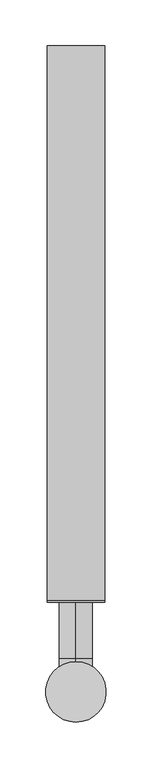
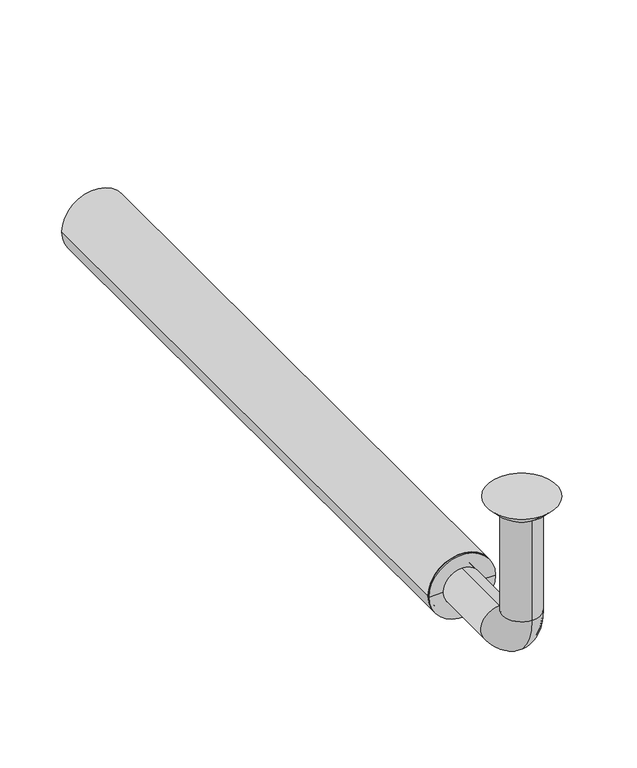
"""IFC4 building model written with IfcOpenShell, lengths in millimetres: beam geometry."""

from ifc_helpers import new_model, si_unit, point, frame, frame_2d, origin, place, context, project, spatial, polyline, circle_curve, ellipse_curve, trimmed, segment, composite_curve, outline, extrude, source, transform, mapped, element, save
from ifc_brep_helpers import plane_surface, cylinder_surface, revolved_surface, advanced_brep


def beam_adf3196b(model_context):
    return source(origin(), model_context, "Body", "SolidModel", [
        extrude(outline(composite_curve([segment(trimmed(circle_curve(frame_2d((-150.0, 0.0)), 31.5), [point((-150.0, 31.5))], [point((-150.0, -31.5))], False, "CARTESIAN"), True, "CONTINUOUS"), segment(trimmed(circle_curve(frame_2d((-150.0, 0.0)), 31.5), [point((-150.0, -31.5))], [point((-150.0, 31.5))], False, "CARTESIAN"), True, "CONTINUOUS")], self_intersect=False), holes=[composite_curve([segment(trimmed(circle_curve(frame_2d((-150.0, 0.0)), 28.5), [point((-150.0, 28.5))], [point((-150.0, -28.5))], True, "CARTESIAN"), True, "CONTINUOUS"), segment(trimmed(circle_curve(frame_2d((-150.0, 0.0)), 28.5), [point((-150.0, -28.5))], [point((-150.0, 28.5))], True, "CARTESIAN"), True, "CONTINUOUS")], self_intersect=False)]), frame((0.0, 100.0, 0.0), z_axis=(0.0, 1.0, 0.0), x_axis=(0.0, 0.0, 1.0)), (0.0, 0.0, 1.0), 605.0),
        advanced_brep(
        [(0.0, -18.0, -10.0), (0.0, 18.0, -10.0), (0.0, -17.0, -10.0), (0.0, 17.0, -10.0), (0.0, -18.0, -114.0), (0.0, 18.0, -114.0), (0.0, -17.0, -114.0), (0.0, 17.0, -114.0), (0.0, 36.0, -132.0), (0.0, 36.0, -168.0), (0.0, 36.0, -133.0), (0.0, 36.0, -167.0), (0.0, 123.0, -168.0), (0.0, 123.0, -132.0), (0.0, 123.0, -167.0), (0.0, 123.0, -133.0)],
        [
            (0, 1, circle_curve(frame((0.0, 0.0, -10.0), z_axis=(0.0, 0.0, 1.0), x_axis=(0.0, 1.0, 0.0)), 18.0)),
            (1, 0, circle_curve(frame((0.0, 0.0, -10.0), z_axis=(0.0, 0.0, 1.0), x_axis=(0.0, 1.0, 0.0)), 18.0)),
            (2, 3, circle_curve(frame((0.0, 0.0, -10.0), z_axis=(0.0, 0.0, -1.0), x_axis=(0.0, 1.0, 0.0)), 17.0)),
            (3, 2, circle_curve(frame((0.0, 0.0, -10.0), z_axis=(0.0, 0.0, -1.0), x_axis=(0.0, 1.0, 0.0)), 17.0)),
            (0, 4),
            (4, 5, circle_curve(frame((0.0, 0.0, -114.0), z_axis=(0.0, 0.0, 1.0), x_axis=(0.0, 1.0, 0.0)), 18.0)),
            (5, 1),
            (5, 4, circle_curve(frame((0.0, 0.0, -114.0), z_axis=(0.0, 0.0, 1.0), x_axis=(0.0, 1.0, 0.0)), 18.0)),
            (2, 6),
            (6, 7, circle_curve(frame((0.0, 0.0, -114.0), z_axis=(0.0, 0.0, -1.0), x_axis=(0.0, 1.0, 0.0)), 17.0)),
            (7, 3),
            (7, 6, circle_curve(frame((0.0, 0.0, -114.0), z_axis=(0.0, 0.0, -1.0), x_axis=(0.0, 1.0, 0.0)), 17.0)),
            (8, 5, circle_curve(frame((0.0, 36.0, -114.0), z_axis=(-1.0, 0.0, 0.0), x_axis=(0.0, -1.0, 0.0)), 18.0)),
            (4, 9, circle_curve(frame((0.0, 36.0, -114.0), z_axis=(1.0, 0.0, 0.0), x_axis=(0.0, -1.0, 0.0)), 54.0)),
            (9, 8, circle_curve(frame((0.0, 36.0, -150.0), z_axis=(0.0, -1.0, 0.0), x_axis=(0.0, 0.0, 1.0)), 18.0)),
            (8, 9, circle_curve(frame((0.0, 36.0, -150.0), z_axis=(0.0, -1.0, 0.0), x_axis=(0.0, 0.0, 1.0)), 18.0)),
            (10, 7, circle_curve(frame((0.0, 36.0, -114.0), z_axis=(-1.0, 0.0, 0.0), x_axis=(0.0, -1.0, 0.0)), 19.0)),
            (6, 11, circle_curve(frame((0.0, 36.0, -114.0), z_axis=(1.0, 0.0, 0.0), x_axis=(0.0, -1.0, 0.0)), 53.0)),
            (11, 10, circle_curve(frame((0.0, 36.0, -150.0), z_axis=(0.0, 1.0, 0.0), x_axis=(0.0, 0.0, 1.0)), 17.0)),
            (10, 11, circle_curve(frame((0.0, 36.0, -150.0), z_axis=(0.0, 1.0, 0.0), x_axis=(0.0, 0.0, 1.0)), 17.0)),
            (12, 13, circle_curve(frame((0.0, 123.0, -150.0), z_axis=(0.0, 1.0, 0.0), x_axis=(0.0, 0.0, 1.0)), 18.0)),
            (13, 12, circle_curve(frame((0.0, 123.0, -150.0), z_axis=(0.0, 1.0, 0.0), x_axis=(0.0, 0.0, 1.0)), 18.0)),
            (14, 15, circle_curve(frame((0.0, 123.0, -150.0), z_axis=(0.0, -1.0, 0.0), x_axis=(0.0, 0.0, 1.0)), 17.0)),
            (15, 14, circle_curve(frame((0.0, 123.0, -150.0), z_axis=(0.0, -1.0, 0.0), x_axis=(0.0, 0.0, 1.0)), 17.0)),
            (9, 12),
            (13, 8),
            (11, 14),
            (15, 10),
        ],
        [
            plane_surface(frame((0.0, 0.0, -10.0), z_axis=(0.0, 0.0, 1.0), x_axis=(1.0, 0.0, 0.0))),
            cylinder_surface(frame((0.0, 0.0, -10.0), z_axis=(0.0, 0.0, 1.0), x_axis=(0.0, 1.0, 0.0)), 18.0),
            revolved_surface(polyline([(0.0, 17.0, -114.0), (0.0, 17.0, -10.0)]), (0.0, 0.0, -10.0), (0.0, 0.0, -1.0)),
            revolved_surface(trimmed(ellipse_curve(frame((0.0, 0.0, -114.0), z_axis=(0.0, 0.0, 1.0), x_axis=(0.0, 1.0, 0.0)), 18.0, 18.0), [point((0.0, -18.0, -114.0))], [point((0.0, 18.0, -114.0))], True, "CARTESIAN"), (0.0, 36.0, -114.0), (1.0, 0.0, 0.0)),
            revolved_surface(trimmed(ellipse_curve(frame((0.0, 0.0, -114.0), z_axis=(0.0, 0.0, 1.0), x_axis=(0.0, 1.0, 0.0)), 18.0, 18.0), [point((0.0, 18.0, -114.0))], [point((0.0, -18.0, -114.0))], True, "CARTESIAN"), (0.0, 36.0, -114.0), (1.0, 0.0, 0.0)),
            revolved_surface(trimmed(ellipse_curve(frame((0.0, 0.0, -114.0), z_axis=(0.0, 0.0, -1.0), x_axis=(0.0, 1.0, 0.0)), 17.0, 17.0), [point((0.0, -17.0, -114.0))], [point((0.0, 17.0, -114.0))], True, "CARTESIAN"), (0.0, 36.0, -114.0), (1.0, 0.0, 0.0)),
            revolved_surface(trimmed(ellipse_curve(frame((0.0, 0.0, -114.0), z_axis=(0.0, 0.0, -1.0), x_axis=(0.0, 1.0, 0.0)), 17.0, 17.0), [point((0.0, 17.0, -114.0))], [point((0.0, -17.0, -114.0))], True, "CARTESIAN"), (0.0, 36.0, -114.0), (1.0, 0.0, 0.0)),
            plane_surface(frame((0.0, 123.0, -150.0), z_axis=(0.0, 1.0, 0.0), x_axis=(1.0, 0.0, 0.0))),
            cylinder_surface(frame((0.0, 36.0, -150.0), z_axis=(0.0, -1.0, 0.0), x_axis=(0.0, 0.0, 1.0)), 18.0),
            revolved_surface(polyline([(0.0, 123.0, -133.0), (0.0, 36.0, -133.0)]), (0.0, 36.0, -150.0), (0.0, 1.0, 0.0)),
        ],
        [
            (0, [[1, 2], [3, 4]]),
            (1, [[-1, 5, 6, 7]]),
            (1, [[-2, -7, 8, -5]]),
            (2, [[-3, 9, 10, 11]]),
            (2, [[-4, -11, 12, -9]]),
            (3, [[13, -6, 14, 15]]),
            (4, [[-14, -8, -13, 16]]),
            (5, [[17, -10, 18, 19]]),
            (6, [[-18, -12, -17, 20]]),
            (7, [[21, 22], [23, 24]]),
            (8, [[-15, 25, -22, 26]]),
            (8, [[-16, -26, -21, -25]]),
            (9, [[-19, 27, -24, 28]]),
            (9, [[-20, -28, -23, -27]]),
        ],
    ),
        advanced_brep(
        [(0.0, 23.0, -10.0), (0.0, -23.0, -10.0), (0.0, 33.0, 0.0), (0.0, -33.0, 0.0)],
        [
            (0, 1, circle_curve(frame((0.0, 0.0, -10.0), z_axis=(0.0, 0.0, -1.0), x_axis=(0.0, 1.0, 0.0)), 23.0)),
            (1, 0, circle_curve(frame((0.0, 0.0, -10.0), z_axis=(0.0, 0.0, -1.0), x_axis=(0.0, -1.0, 0.0)), 23.0)),
            (2, 3, circle_curve(frame((0.0, 0.0, 0.0), z_axis=(0.0, 0.0, 1.0), x_axis=(0.0, -1.0, 0.0)), 33.0)),
            (3, 2, circle_curve(frame((0.0, 0.0, 0.0), z_axis=(0.0, 0.0, 1.0), x_axis=(0.0, 1.0, 0.0)), 33.0)),
            (3, 1),
            (0, 2),
        ],
        [
            plane_surface(frame((0.0, 0.0, -10.0), z_axis=(0.0, 0.0, -1.0), x_axis=(-1.0, 0.0, 0.0))),
            plane_surface(frame((0.0, 0.0, 0.0), z_axis=(0.0, 0.0, 1.0), x_axis=(-1.0, 0.0, 0.0))),
            revolved_surface(polyline([(0.0, 23.0, -10.0), (0.0, 33.0, 0.0)]), (0.0, 0.0, -33.0), (0.0, 0.0, 1.0)),
            revolved_surface(polyline([(0.0, -23.0, -10.0), (0.0, -33.0, 0.0)]), (0.0, 0.0, -33.0), (0.0, 0.0, 1.0)),
        ],
        [
            (0, [[1, 2]]),
            (1, [[3, 4]]),
            (2, [[-4, 5, -1, 6]]),
            (3, [[-3, -6, -2, -5]]),
        ],
    ),
        advanced_brep(
        [(28.5, 100.0, -150.0), (-28.5, 100.0, -150.0), (-28.5, 123.0, -150.0), (28.5, 123.0, -150.0), (-18.0, 123.0, -150.0), (18.0, 123.0, -150.0), (-18.0, 98.0, -150.0), (18.0, 98.0, -150.0), (-31.5, 98.0, -150.0), (31.5, 98.0, -150.0), (-31.5, 100.0, -150.0), (31.5, 100.0, -150.0)],
        [
            (0, 1, circle_curve(frame((0.0, 100.0, -150.0), z_axis=(0.0, 1.0, 0.0), x_axis=(-1.0, 0.0, 0.0)), 28.5)),
            (1, 2),
            (2, 3, circle_curve(frame((0.0, 123.0, -150.0), z_axis=(0.0, -1.0, 0.0), x_axis=(-1.0, 0.0, 0.0)), 28.5)),
            (3, 0),
            (1, 0, circle_curve(frame((0.0, 100.0, -150.0), z_axis=(0.0, 1.0, 0.0), x_axis=(-1.0, 0.0, 0.0)), 28.5)),
            (3, 2, circle_curve(frame((0.0, 123.0, -150.0), z_axis=(0.0, -1.0, 0.0), x_axis=(-1.0, 0.0, 0.0)), 28.5)),
            (2, 4),
            (4, 5, circle_curve(frame((0.0, 123.0, -150.0), z_axis=(0.0, -1.0, 0.0), x_axis=(-1.0, 0.0, 0.0)), 18.0)),
            (5, 3),
            (5, 4, circle_curve(frame((0.0, 123.0, -150.0), z_axis=(0.0, -1.0, 0.0), x_axis=(-1.0, 0.0, 0.0)), 18.0)),
            (4, 6),
            (6, 7, circle_curve(frame((0.0, 98.0, -150.0), z_axis=(0.0, -1.0, 0.0), x_axis=(-1.0, 0.0, 0.0)), 18.0)),
            (7, 5),
            (7, 6, circle_curve(frame((0.0, 98.0, -150.0), z_axis=(0.0, -1.0, 0.0), x_axis=(-1.0, 0.0, 0.0)), 18.0)),
            (6, 8),
            (8, 9, circle_curve(frame((0.0, 98.0, -150.0), z_axis=(0.0, -1.0, 0.0), x_axis=(-1.0, 0.0, 0.0)), 31.5)),
            (9, 7),
            (9, 8, circle_curve(frame((0.0, 98.0, -150.0), z_axis=(0.0, -1.0, 0.0), x_axis=(-1.0, 0.0, 0.0)), 31.5)),
            (8, 10),
            (10, 11, circle_curve(frame((0.0, 100.0, -150.0), z_axis=(0.0, -1.0, 0.0), x_axis=(-1.0, 0.0, 0.0)), 31.5)),
            (11, 9),
            (11, 10, circle_curve(frame((0.0, 100.0, -150.0), z_axis=(0.0, -1.0, 0.0), x_axis=(-1.0, 0.0, 0.0)), 31.5)),
            (10, 1),
            (0, 11),
        ],
        [
            cylinder_surface(frame((0.0, 98.0, -150.0), z_axis=(0.0, -1.0, 0.0), x_axis=(-1.0, 0.0, 0.0)), 28.5),
            plane_surface(frame((0.0, 123.0, -150.0), z_axis=(0.0, 1.0, 0.0), x_axis=(-1.0, 0.0, 0.0))),
            revolved_surface(polyline([(-18.0, 98.0, -150.0), (-18.0, 123.0, -150.0)]), (0.0, 98.0, -150.0), (0.0, -1.0, 0.0)),
            plane_surface(frame((0.0, 98.0, -150.0), z_axis=(0.0, -1.0, 0.0), x_axis=(-1.0, 0.0, 0.0))),
            cylinder_surface(frame((0.0, 98.0, -150.0), z_axis=(0.0, -1.0, 0.0), x_axis=(-1.0, 0.0, 0.0)), 31.5),
            plane_surface(frame((0.0, 100.0, -150.0), z_axis=(0.0, 1.0, 0.0), x_axis=(-1.0, 0.0, 0.0))),
        ],
        [
            (0, [[1, 2, 3, 4]]),
            (0, [[5, -4, 6, -2]]),
            (1, [[-3, 7, 8, 9]]),
            (1, [[-6, -9, 10, -7]]),
            (2, [[-8, 11, 12, 13]]),
            (2, [[-10, -13, 14, -11]]),
            (3, [[-12, 15, 16, 17]]),
            (3, [[-14, -17, 18, -15]]),
            (4, [[-16, 19, 20, 21]]),
            (4, [[-18, -21, 22, -19]]),
            (5, [[-20, 23, -1, 24]]),
            (5, [[-22, -24, -5, -23]]),
        ],
    ),
    ])


if __name__ == "__main__":
    model = new_model("IFC4")
    model_context = context("Model", 3, world=origin())
    ifc_project = project(units=[si_unit("LENGTHUNIT", "METRE", prefix="MILLI")], contexts=[model_context])
    site = spatial("IfcSite", under=ifc_project)
    building = spatial("IfcBuilding", under=site)
    placement = place(None, origin())
    beam_shape = beam_adf3196b(model_context)
    element("IfcBeam", 1, at=placement, inside=building, context=model_context, shape_type="MappedRepresentation", body=[
        mapped(beam_shape, transform((0.0, 0.0, 0.0), x_axis=(1.0, 0.0, 0.0), y_axis=(0.0, 1.0, 0.0), z_axis=(0.0, 0.0, 1.0))),
    ])
    save(model, "model.ifc")
